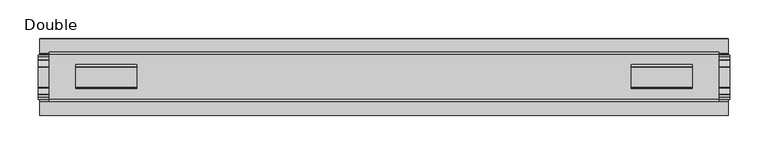
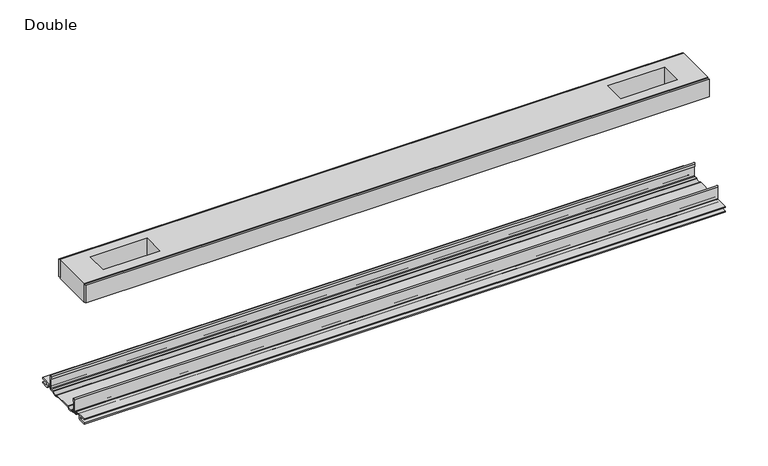
"""IFC4 building model written with IfcOpenShell, lengths in millimetres: proxy geometry, Double."""

from ifc_helpers import new_model, si_unit, point, frame, frame_2d, origin, place, context, project, spatial, polyline, circle_curve, trimmed, segment, composite_curve, outline, extrude, source, transform, mapped, element, save


def double_89b3f73d(model_context):
    return source(origin(), model_context, "Body", "SweptSolid", [
        extrude(outline(polyline([(434.9115091, 29.0068005), (-434.9115091, 29.0068005), (-434.9115091, 32.1817997), (434.9115091, 32.1817997), (434.9115091, 29.0068005)])), frame((0.0, 0.0, 149.8401622), z_axis=(0.0, 0.0, 1.0), x_axis=(1.0, 0.0, 0.0)), (0.0, 0.0, 1.0), 25.3999939),
        extrude(outline(polyline([(434.9115091, -32.1817997), (-434.9115091, -32.1817997), (-434.9115091, -29.0068005), (434.9115091, -29.0068005), (434.9115091, -32.1817997)])), frame((0.0, 0.0, 149.8401622), z_axis=(0.0, 0.0, 1.0), x_axis=(1.0, 0.0, 0.0)), (0.0, 0.0, 1.0), 25.3999939),
        extrude(outline(polyline([(434.9115091, -29.0068005), (-434.9115091, -29.0068005), (-434.9115091, 29.0068005), (434.9115091, 29.0068005), (434.9115091, -29.0068005)]), holes=[polyline([(400.4944965, -15.1130038), (400.4944965, 15.875003), (321.4496847, 15.875003), (321.4496847, -15.1130038), (400.4944965, -15.1130038)]), polyline([(-400.4944965, -15.1130038), (-321.4496847, -15.1130038), (-321.4496847, 15.875003), (-400.4944965, 15.875003), (-400.4944965, -15.1130038)])]), frame((0.0, 0.0, 148.4185847), z_axis=(0.0, 0.0, 1.0), x_axis=(1.0, 0.0, 0.0)), (0.0, 0.0, 1.0), 27.9999988),
        extrude(outline(composite_curve([segment(trimmed(circle_curve(frame_2d((26.6420561, -7.7516037)), 2.17424), [point((28.8162961, -7.7516037))], [point((26.6420561, -9.9258438))], False, "CARTESIAN"), True, "CONTINUOUS"), segment(polyline([(26.6420561, -9.9258438), (22.3510694, -9.9258438)]), True, "CONTINUOUS"), segment(trimmed(circle_curve(frame_2d((17.7706549, -6.4800016)), 5.7318431), [point((22.3510694, -9.9258438))], [point((13.1902404, -9.9258438))], False, "CARTESIAN"), True, "CONTINUOUS"), segment(polyline([(13.1902404, -9.9258438), (-13.57124, -9.9258438)]), True, "CONTINUOUS"), segment(trimmed(circle_curve(frame_2d((-18.1516545, -6.4800016)), 5.7318431), [point((-13.57124, -9.9258438))], [point((-22.732069, -9.9258438))], False, "CARTESIAN"), True, "CONTINUOUS"), segment(polyline([(-22.732069, -9.9258438), (-27.0230557, -9.9258438)]), True, "CONTINUOUS"), segment(trimmed(circle_curve(frame_2d((-27.0230557, -7.7516037)), 2.17424), [point((-27.0230557, -9.9258438))], [point((-29.1972958, -7.7516037))], False, "CARTESIAN"), True, "CONTINUOUS"), segment(polyline([(-29.1972958, -7.7516037), (-29.1972958, 9.8607558)]), True, "CONTINUOUS"), segment(trimmed(circle_curve(frame_2d((-27.9780978, 9.8607558)), 1.2191979), [point((-29.1972958, 9.8607558))], [point((-26.7588999, 9.8607558))], False, "CARTESIAN"), True, "CONTINUOUS"), segment(polyline([(-26.7588999, 9.8607558), (-26.7588999, 5.9999563), (-28.0390765, 5.9999563), (-28.0390765, -7.7516037)]), True, "CONTINUOUS"), segment(trimmed(circle_curve(frame_2d((-27.0230557, -7.7516037)), 1.0160208), [point((-28.0390765, -7.7516037))], [point((-27.0295728, -8.7676036))], True, "CARTESIAN"), True, "CONTINUOUS"), segment(polyline([(-27.0295728, -8.7676036), (-23.0866222, -8.7676036), (-22.1732605, -8.968753)]), True, "CONTINUOUS"), segment(trimmed(circle_curve(frame_2d((-18.1483018, -6.1259382)), 4.9276657), [point((-22.1732605, -8.968753))], [point((-14.123343, -8.968753))], True, "CARTESIAN"), True, "CONTINUOUS"), segment(polyline([(-14.123343, -8.968753), (-13.2099722, -8.7676036), (12.8289726, -8.7676036), (13.7423434, -8.968753)]), True, "CONTINUOUS"), segment(trimmed(circle_curve(frame_2d((17.7673021, -6.1259382)), 4.9276657), [point((13.7423434, -8.968753))], [point((21.7922609, -8.968753))], True, "CARTESIAN"), True, "CONTINUOUS"), segment(polyline([(21.7922609, -8.968753), (22.7056226, -8.7676036), (26.6485732, -8.7676036)]), True, "CONTINUOUS"), segment(trimmed(circle_curve(frame_2d((26.6420561, -7.7516037)), 1.0160208), [point((26.6485732, -8.7676036))], [point((27.6580769, -7.7516037))], True, "CARTESIAN"), True, "CONTINUOUS"), segment(polyline([(27.6580769, -7.7516037), (27.6580769, 5.9999563), (26.3779003, 5.9999563), (26.3779003, 9.8607558)]), True, "CONTINUOUS"), segment(trimmed(circle_curve(frame_2d((27.5970982, 9.8607558)), 1.2191979), [point((26.3779003, 9.8607558))], [point((28.8162961, 9.8607558))], False, "CARTESIAN"), True, "CONTINUOUS"), segment(polyline([(28.8162961, 9.8607558), (28.8162961, -7.7516037)]), True, "CONTINUOUS")], self_intersect=False)), frame((-448.9704, 0.0, 0.0), z_axis=(1.0, 0.0, 0.0), x_axis=(0.0, 1.0, 0.0)), (0.0, 0.0, 1.0), 897.9408),
        extrude(outline(composite_curve([segment(polyline([(50.2668422, -13.9898438), (39.6557522, -13.9898438)]), True, "CONTINUOUS"), segment(trimmed(circle_curve(frame_2d((39.6557522, -12.4658438)), 1.524), [point((39.6557522, -13.9898438))], [point((38.1317522, -12.4658438))], False, "CARTESIAN"), True, "CONTINUOUS"), segment(polyline([(38.1317522, -12.4658438), (38.1317522, -7.766844), (31.3054974, -7.766844), (31.3054974, -10.0528438)]), True, "CONTINUOUS"), segment(trimmed(circle_curve(frame_2d((29.7814974, -10.0528438)), 1.524), [point((31.3054974, -10.0528438))], [point((29.7814974, -11.5768438))], False, "CARTESIAN"), True, "CONTINUOUS"), segment(polyline([(29.7814974, -11.5768438), (23.2753553, -11.5768438)]), True, "CONTINUOUS"), segment(trimmed(circle_curve(frame_2d((17.7673021, -6.4968436)), 7.4930002), [point((23.2753553, -11.5768438))], [point((12.5094972, -11.8354331))], False, "CARTESIAN"), True, "CONTINUOUS"), segment(polyline([(12.5094972, -11.8354331), (-12.8904968, -11.8354331)]), True, "CONTINUOUS"), segment(trimmed(circle_curve(frame_2d((-18.1483018, -6.4968436)), 7.4930002), [point((-12.8904968, -11.8354331))], [point((-23.6563549, -11.5768438))], False, "CARTESIAN"), True, "CONTINUOUS"), segment(polyline([(-23.6563549, -11.5768438), (-30.1624971, -11.5768438)]), True, "CONTINUOUS"), segment(trimmed(circle_curve(frame_2d((-30.1624971, -10.0528438)), 1.524), [point((-30.1624971, -11.5768438))], [point((-31.686497, -10.0528438))], False, "CARTESIAN"), True, "CONTINUOUS"), segment(polyline([(-31.686497, -10.0528438), (-31.686497, -7.766844), (-38.5127519, -7.766844), (-38.5127519, -12.4658438)]), True, "CONTINUOUS"), segment(trimmed(circle_curve(frame_2d((-40.0367518, -12.4658438)), 1.524), [point((-38.5127519, -12.4658438))], [point((-40.0367518, -13.9898438))], False, "CARTESIAN"), True, "CONTINUOUS"), segment(polyline([(-40.0367518, -13.9898438), (-50.00625, -13.9898438), (-50.00625, -12.3388438), (-40.1637503, -12.3388438), (-40.1637503, -7.766844), (-50.00625, -7.766844), (-50.00625, -6.1158439), (-31.6239218, -6.1158439)]), True, "CONTINUOUS"), segment(trimmed(circle_curve(frame_2d((-31.6864982, -7.7656583)), 1.6510007), [point((-31.6239218, -6.1158439))], [point((-30.0354975, -7.7656583))], False, "CARTESIAN"), True, "CONTINUOUS"), segment(polyline([(-30.0354975, -7.7656583), (-30.0354975, -9.9258438), (-23.486834, -9.9258438)]), True, "CONTINUOUS"), segment(trimmed(circle_curve(frame_2d((-18.1483018, -5.2268471)), 7.1119966), [point((-23.486834, -9.9258438))], [point((-12.8097695, -9.9258438))], True, "CARTESIAN"), True, "CONTINUOUS"), segment(polyline([(-12.8097695, -9.9258438), (12.4287699, -9.9258438)]), True, "CONTINUOUS"), segment(trimmed(circle_curve(frame_2d((17.7673021, -5.2268471)), 7.1119966), [point((12.4287699, -9.9258438))], [point((23.1058344, -9.9258438))], True, "CARTESIAN"), True, "CONTINUOUS"), segment(polyline([(23.1058344, -9.9258438), (29.6544978, -9.9258438), (29.6544978, -7.6398436)]), True, "CONTINUOUS"), segment(trimmed(circle_curve(frame_2d((31.1784975, -7.6398436)), 1.5239997), [point((29.6544978, -7.6398436))], [point((31.1784975, -6.1158439))], False, "CARTESIAN"), True, "CONTINUOUS"), segment(polyline([(31.1784975, -6.1158439), (50.2668422, -6.1158439), (50.2240211, -7.766844), (39.7827507, -7.766844), (39.7827507, -12.3388438), (50.2240211, -12.3388438), (50.2668422, -13.9898438)]), True, "CONTINUOUS")], self_intersect=False)), frame((-447.3194, 0.0, 0.0), z_axis=(1.0, 0.0, 0.0), x_axis=(0.0, 1.0, 0.0)), (0.0, 0.0, 1.0), 894.6388),
    ])


if __name__ == "__main__":
    model = new_model("IFC4")
    model_context = context("Model", 3, world=origin())
    ifc_project = project(units=[si_unit("LENGTHUNIT", "METRE", prefix="MILLI")], contexts=[model_context])
    site = spatial("IfcSite", under=ifc_project)
    building = spatial("IfcBuilding", under=site)
    placement = place(None, origin())
    double_shape = double_89b3f73d(model_context)
    element("IfcBuildingElementProxy", 1, Name="Double", ObjectType="Double", at=placement, inside=building, context=model_context, shape_type="MappedRepresentation", body=[
        mapped(double_shape, transform((0.0, 0.0, 0.0), x_axis=(1.0, 0.0, 0.0), y_axis=(0.0, 1.0, 0.0), z_axis=(0.0, 0.0, 1.0))),
    ])
    save(model, "model.ifc")
